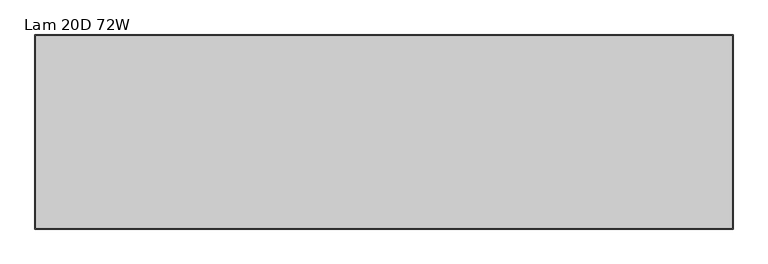
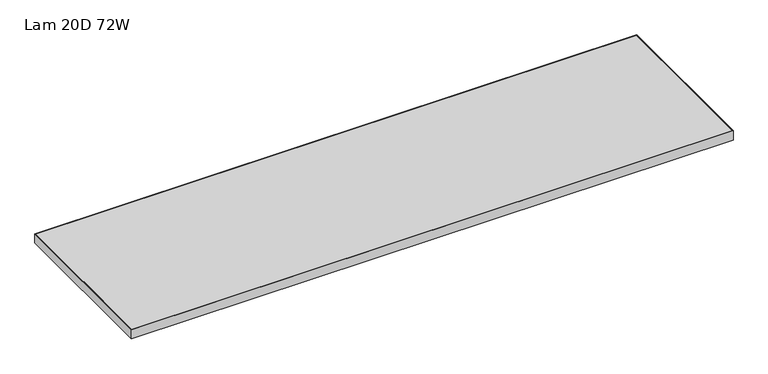
"""IFC4 building model written with IfcOpenShell, lengths in millimetres: furniture geometry, Lam 20D 72W."""

from ifc_helpers import new_model, si_unit, frame, origin, place, context, project, spatial, polyline, outline, extrude, source, transform, mapped, element, save


def lam_20d_72w_3fb943f5(model_context):
    return source(origin(), model_context, "Body", "SweptSolid", [
        extrude(outline(polyline([(1827.2633, -23.8887015), (1827.2633, -531.8633015), (0.0127, -531.8633015), (0.0127, -23.8887015), (1827.2633, -23.8887015)]), holes=[polyline([(1.6002, -25.4762015), (1.6002, -530.2758015), (1825.6758, -530.2758015), (1825.6758, -25.4762015), (1.6002, -25.4762015)])]), frame((0.0, 0.0, 707.0090242), z_axis=(0.0, 0.0, 1.0), x_axis=(1.0, 0.0, 0.0)), (0.0, 0.0, 1.0), 29.591),
        extrude(outline(polyline([(1825.6758, -25.4762015), (1825.6758, -530.2758015), (1.6002, -530.2758015), (1.6002, -25.4762015), (1825.6758, -25.4762015)])), frame((0.0, 0.0, 707.0090242), z_axis=(0.0, 0.0, 1.0), x_axis=(1.0, 0.0, 0.0)), (0.0, 0.0, 1.0), 29.591),
    ])


if __name__ == "__main__":
    model = new_model("IFC4")
    model_context = context("Model", 3, world=origin())
    ifc_project = project(units=[si_unit("LENGTHUNIT", "METRE", prefix="MILLI")], contexts=[model_context])
    site = spatial("IfcSite", under=ifc_project)
    building = spatial("IfcBuilding", under=site)
    placement = place(None, origin())
    lam_20d_72w_shape = lam_20d_72w_3fb943f5(model_context)
    element("IfcFurniture", 1, ObjectType="Lam 20D 72W", at=placement, inside=building, context=model_context, shape_type="MappedRepresentation", body=[
        mapped(lam_20d_72w_shape, transform((0.0, 0.0, 0.0), x_axis=(1.0, 0.0, 0.0), y_axis=(0.0, 1.0, 0.0), z_axis=(0.0, 0.0, 1.0))),
    ])
    save(model, "model.ifc")
